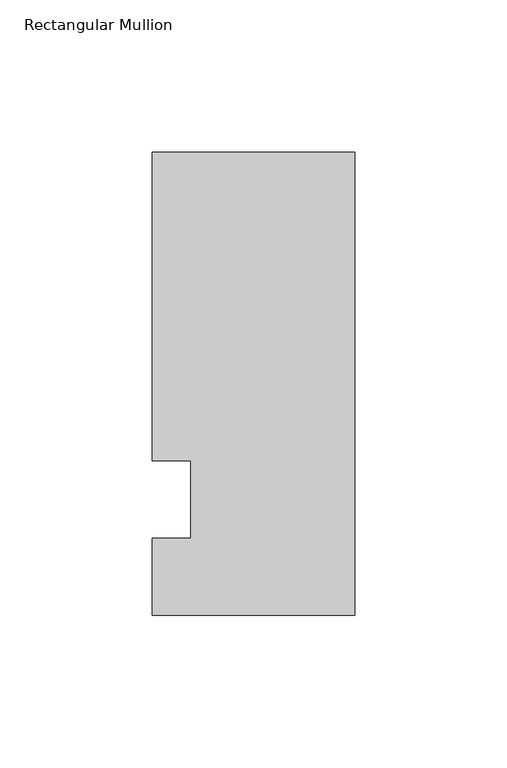
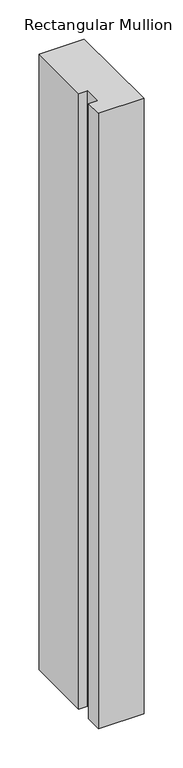
"""IFC4 building model written with IfcOpenShell, lengths in millimetres: member geometry, Rectangular Mullion."""

from ifc_helpers import new_model, si_unit, frame, origin, place, context, project, spatial, polyline, outline, extrude, source, transform, mapped, element, save


def rectangular_mullion_569d0bd8(model_context):
    return source(origin(), model_context, "Body", "SweptSolid", [
        extrude(outline(polyline([(-66.675, 114.3), (0.0, 114.3), (0.0, -38.1), (-66.675, -38.1), (-66.675, -12.7), (-53.9732296, -12.7), (-53.9732296, 12.7), (-66.675, 12.7), (-66.675, 114.3)])), frame((0.0, 0.0, -958.85), z_axis=(0.0, 0.0, 1.0), x_axis=(1.0, 0.0, 0.0)), (0.0, 0.0, 1.0), 958.85),
    ])


if __name__ == "__main__":
    model = new_model("IFC4")
    model_context = context("Model", 3, world=origin())
    ifc_project = project(units=[si_unit("LENGTHUNIT", "METRE", prefix="MILLI")], contexts=[model_context])
    site = spatial("IfcSite", under=ifc_project)
    building = spatial("IfcBuilding", under=site)
    placement = place(None, origin())
    rectangular_mullion_shape = rectangular_mullion_569d0bd8(model_context)
    element("IfcMember", 1, ObjectType="Rectangular Mullion", at=placement, inside=building, context=model_context, shape_type="MappedRepresentation", body=[
        mapped(rectangular_mullion_shape, transform((0.0, 0.0, 0.0), x_axis=(1.0, 0.0, 0.0), y_axis=(0.0, 1.0, 0.0), z_axis=(0.0, 0.0, 1.0))),
    ])
    save(model, "model.ifc")
